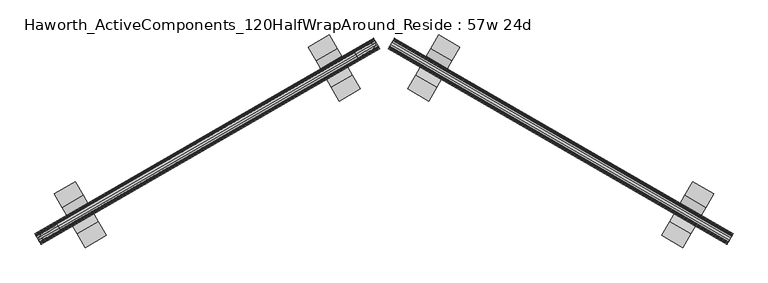
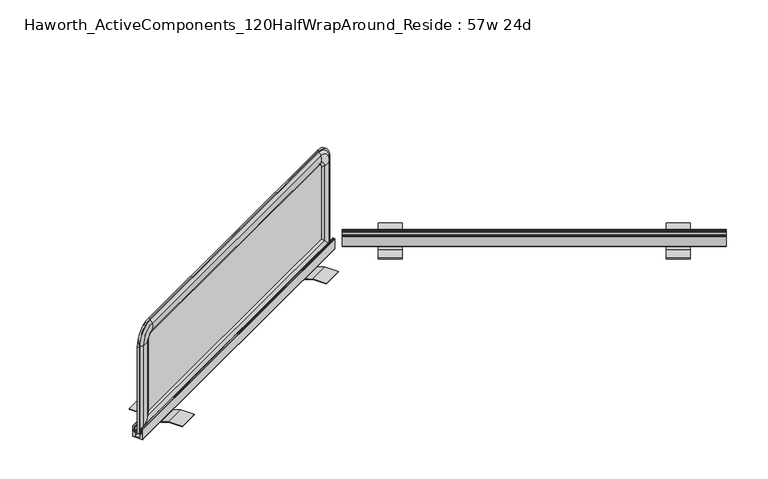
"""IFC4 building model written with IfcOpenShell, lengths in millimetres: furniture geometry, Haworth_ActiveComponents_120HalfWrapAround_Reside : 57w 24d."""

from ifc_helpers import new_model, si_unit, point, frame, frame_2d, origin, place, context, project, spatial, polyline, circle_curve, ellipse_curve, trimmed, segment, composite_curve, outline, extrude, source, transform, mapped, element, save
from ifc_brep_helpers import plane_surface, cylinder_surface, revolved_surface, advanced_brep


def haworth_activecomponents_120halfwraparound_reside_57w_24d_01c2fc8c(model_context):
    return source(origin(), model_context, "Body", "SolidModel", [
        extrude(outline(polyline([(-2.6670126, -96.9403129), (-2.6670126, -47.9976971), (-12.6999758, -19.803699), (-12.6999758, 19.3432575), (-2.6670126, 47.9976971), (-2.6670126, 96.9403129), (-2.42e-05, 96.9403129), (-9.69e-05, 47.5373464), (-10.0329874, 19.3433052), (-10.0329874, -19.3433051), (-9.69e-05, -47.5373464), (-2.42e-05, -96.9403129), (-2.6670126, -96.9403129)])), frame((4566.4082153, -1273.04317, 711.2), z_axis=(0.8660254037844374, 0.5000000000000024, 0.0), x_axis=(0.0, 0.0, 1.0)), (0.0, 0.0, 1.0), 76.2),
        extrude(outline(polyline([(-2.6670126, -96.9403129), (-2.6670126, -47.9976971), (-12.6999758, -19.803699), (-12.6999758, 19.3432575), (-2.6670126, 47.9976971), (-2.6670126, 96.9403129), (-2.42e-05, 96.9403129), (-9.69e-05, 47.5373463), (-10.0329874, 19.3433052), (-10.0329874, -19.3433051), (-9.69e-05, -47.5373464), (-2.42e-05, -96.9403129), (-2.6670126, -96.9403129)])), frame((5358.3018446, -815.84317, 711.2), z_axis=(0.8660254037844374, 0.5000000000000024, 0.0), x_axis=(0.0, 0.0, 1.0)), (0.0, 0.0, 1.0), 76.2),
        extrude(outline(composite_curve([segment(polyline([(-6.0705839, 9.0043003), (-6.0705839, -9.0043003), (5.6133686, -9.0043003), (5.6133686, -5.0800003), (7.6200048, -5.0800003), (7.6200048, -10.2488997), (9.8551882, -10.2488997), (10.8711872, -11.4426996), (25.9334219, -11.4426996), (26.9494209, -10.2488997), (28.9051882, -10.2488997), (29.7960276, -11.2956369)]), True, "CONTINUOUS"), segment(trimmed(circle_curve(frame_2d((29.2834819, -11.7318457)), 0.6730388), [point((29.7960276, -11.2956369))], [point((29.3960712, -12.3954004))], False, "CARTESIAN"), True, "CONTINUOUS"), segment(polyline([(29.3960712, -12.3954004), (22.8854248, -13.5001003), (9.931419, -13.5001003), (9.931419, -16.6497003), (13.9191843, -16.6497003), (14.6812017, -17.3990004), (29.1039756, -17.3990004)]), True, "CONTINUOUS"), segment(trimmed(circle_curve(frame_2d((29.1039756, -18.1991003)), 0.8000999), [point((29.1039756, -17.3990004))], [point((29.1039756, -18.9992003))], False, "CARTESIAN"), True, "CONTINUOUS"), segment(polyline([(29.1039756, -18.9992003), (-9.0169872, -18.9992003)]), True, "CONTINUOUS"), segment(trimmed(circle_curve(frame_2d((-9.0169872, -17.9832001)), 1.0160002), [point((-9.0169872, -18.9992003))], [point((-10.0329874, -17.9832001))], False, "CARTESIAN"), True, "CONTINUOUS"), segment(polyline([(-10.0329874, -17.9832001), (-10.0329874, 17.9832001)]), True, "CONTINUOUS"), segment(trimmed(circle_curve(frame_2d((-9.0169872, 17.9832001)), 1.0160002), [point((-10.0329874, 17.9832001))], [point((-9.0169872, 18.9992003))], False, "CARTESIAN"), True, "CONTINUOUS"), segment(polyline([(-9.0169872, 18.9992003), (29.1039756, 18.9992003)]), True, "CONTINUOUS"), segment(trimmed(circle_curve(frame_2d((29.1039756, 18.1991004)), 0.8000999), [point((29.1039756, 18.9992003))], [point((29.1039756, 17.3990004))], False, "CARTESIAN"), True, "CONTINUOUS"), segment(polyline([(29.1039756, 17.3990004), (14.6812017, 17.3990004), (13.9191843, 16.6497003), (9.931419, 16.6497003), (9.931419, 13.5001003), (22.8854248, 13.5001003), (29.3960712, 12.3954004)]), True, "CONTINUOUS"), segment(trimmed(circle_curve(frame_2d((29.2834819, 11.7318457)), 0.6730388), [point((29.3960712, 12.3954004))], [point((29.7960276, 11.2956369))], False, "CARTESIAN"), True, "CONTINUOUS"), segment(polyline([(29.7960276, 11.2956369), (28.9051882, 10.2488998), (26.9494209, 10.2488998), (25.9334219, 11.4426995), (10.8711872, 11.4426995), (9.8551882, 10.2488998), (7.6200048, 10.2488998), (7.6200048, 5.0800003), (5.6133686, 5.0800003), (5.6133686, 9.0043003), (-6.0705839, 9.0043003)]), True, "CONTINUOUS")], self_intersect=False)), frame((4467.4215117, -1330.19317, 711.2), z_axis=(0.8660254037844374, 0.5000000000000024, 0.0), x_axis=(0.0, 0.0, 1.0)), (0.0, 0.0, 1.0), 1219.2),
        advanced_brep(
        [(5521.4114726, -725.3379566, 1050.2564604), (5521.4114726, -725.3379566, 715.4852418), (5518.2364726, -719.8386953, 715.4852418), (5518.2364726, -719.8386953, 1050.2564604), (5511.2867751, -738.8577789, 1050.2564604), (5511.2867751, -738.8577789, 731.0133982), (5516.3251541, -728.2745439, 721.3584165), (5516.3251541, -728.2745439, 1050.2564604), (5485.9215168, -752.8864585, 1050.2564604), (5485.9215168, -752.8864585, 759.994696), (5474.3839729, -752.4892962, 1050.2564604), (5474.3839729, -752.4892962, 769.787921), (5471.2089729, -746.9900348, 1050.2564604), (5471.2089729, -746.9900348, 769.787921), (5476.6337922, -736.7996476, 1050.2564604), (5476.6337922, -736.7996476, 759.994696), (5501.4656143, -721.8470293, 1050.2564604), (5501.4656143, -721.8470293, 731.0133982), (5513.1501541, -722.7752826, 1050.2564604), (5513.1501541, -722.7752826, 721.3584165), (4472.4647251, -1330.9476436, 715.4852418), (4469.2897251, -1325.4483823, 715.4852418), (4489.2355834, -1328.9393096, 731.0133982), (4477.5510435, -1328.0110563, 721.3584165), (4514.0674054, -1313.9866913, 759.994696), (4519.4922247, -1303.7963041, 769.787921), (4516.3172247, -1298.2970427, 769.787921), (4504.7796809, -1297.8998804, 759.994696), (4479.4144225, -1311.92856, 731.0133982), (4474.3760435, -1322.511795, 721.3584165), (4472.4647251, -1330.9476436, 1050.2564604), (4469.2897251, -1325.4483823, 1050.2564604), (4489.2355834, -1328.9393096, 1050.2564604), (4477.5510435, -1328.0110563, 1050.2564604), (4514.0674054, -1313.9866913, 1050.2564604), (4519.4922247, -1303.7963041, 1050.2564604), (4516.3172247, -1298.2970427, 1050.2564604), (4504.7796809, -1297.8998804, 1050.2564604), (4479.4144225, -1311.92856, 1050.2564604), (4474.3760435, -1322.511795, 1050.2564604), (4533.240378, -1295.8588041, 1120.4341395), (4530.065378, -1290.3595427, 1120.4341395), (4536.5634584, -1301.6145482, 1104.9059832), (4533.240378, -1295.8588041, 1114.5609648), (4536.2967402, -1301.1525788, 1075.9246853), (4533.240378, -1295.8588041, 1066.1314604), (4530.065378, -1290.3595427, 1066.1314604), (4527.0090157, -1285.065768, 1075.9246853), (4526.7422975, -1284.6037986, 1104.9059832), (4530.065378, -1290.3595427, 1114.5609648), (5460.6358197, -760.4267962, 1120.4341395), (5457.4608197, -754.9275348, 1120.4341395), (5463.9589001, -766.1825403, 1104.9059832), (5460.6358197, -760.4267962, 1114.5609648), (5463.6921819, -765.7205709, 1075.9246853), (5460.6358197, -760.4267962, 1066.1314604), (5457.4608197, -754.9275348, 1066.1314604), (5454.4044574, -749.6337601, 1075.9246853), (5454.1377392, -749.1717907, 1104.9059832), (5457.4608197, -754.9275348, 1114.5609648)],
        [
            (0, 1),
            (1, 2),
            (2, 3),
            (3, 0),
            (4, 5),
            (5, 6, ellipse_curve(frame((5499.4385468, -726.7262399, 735.2084954), z_axis=(0.6123724356957916, 0.3535533905932743, 0.7071067811865497), x_axis=(-0.6123724356957952, -0.3535533905932764, 0.7071067811865455)), 23.9814408, 16.9574394)),
            (6, 7),
            (7, 4, circle_curve(frame((5499.4385468, -726.7262399, 1050.2564604), z_axis=(0.0, 0.0, -1.0), x_axis=(0.5000000000000024, -0.8660254037844374, 0.0)), 16.9574394)),
            (8, 9),
            (9, 5, ellipse_curve(frame((5473.0997806, -699.7576706, 744.5342514), z_axis=(0.6123724356957916, 0.3535533905932743, 0.7071067811865497), x_axis=(-0.6123724356957952, -0.3535533905932764, 0.7071067811865455)), 77.2924967, 54.6540486)),
            (4, 8, circle_curve(frame((5473.0997806, -699.7576706, 1050.2564604), z_axis=(0.0, 0.0, -1.0), x_axis=(0.5000000000000024, -0.8660254037844374, 0.0)), 54.6540486)),
            (10, 11),
            (11, 9, ellipse_curve(frame((5480.8668944, -731.941872, 753.8998342), z_axis=(0.6123724356957916, 0.3535533905932743, 0.7071067811865497), x_axis=(-0.6123724356957952, -0.3535533905932764, 0.7071067811865455)), 30.4704745, 21.5458792)),
            (8, 10, circle_curve(frame((5480.8668944, -731.941872, 1050.2564604), z_axis=(0.0, 0.0, -1.0), x_axis=(0.5000000000000024, -0.8660254037844374, 0.0)), 21.5458792)),
            (12, 13),
            (13, 11),
            (10, 12),
            (14, 15),
            (15, 13, ellipse_curve(frame((5492.2450249, -751.6493723, 753.8998342), z_axis=(0.6123724356957916, 0.3535533905932743, 0.7071067811865497), x_axis=(-0.6123724356957952, -0.3535533905932764, 0.7071067811865455)), 30.4704745, 21.5458792)),
            (12, 14, circle_curve(frame((5492.2450249, -751.6493723, 1050.2564604), z_axis=(0.0, 0.0, -1.0), x_axis=(0.5000000000000024, -0.8660254037844374, 0.0)), 21.5458792)),
            (16, 17),
            (17, 15, ellipse_curve(frame((5516.2338041, -774.4679908, 744.5342514), z_axis=(0.6123724356957916, 0.3535533905932743, 0.7071067811865497), x_axis=(-0.6123724356957952, -0.3535533905932764, 0.7071067811865455)), 77.2924967, 54.6540486)),
            (14, 16, circle_curve(frame((5516.2338041, -774.4679908, 1050.2564604), z_axis=(0.0, 0.0, -1.0), x_axis=(0.5000000000000024, -0.8660254037844374, 0.0)), 54.6540486)),
            (18, 19),
            (19, 17, ellipse_curve(frame((5506.047721, -738.1736655, 735.2084954), z_axis=(0.6123724356957916, 0.3535533905932743, 0.7071067811865497), x_axis=(-0.6123724356957952, -0.3535533905932764, 0.7071067811865455)), 23.9814408, 16.9574394)),
            (16, 18, circle_curve(frame((5506.047721, -738.1736655, 1050.2564604), z_axis=(0.0, 0.0, -1.0), x_axis=(0.5000000000000024, -0.8660254037844374, 0.0)), 16.9574394)),
            (1, 20),
            (20, 21),
            (21, 2),
            (5, 22),
            (22, 23, ellipse_curve(frame((4484.6534766, -1312.6126734, 735.2084954), z_axis=(0.6123724356957955, 0.35355339059327656, -0.7071067811865454), x_axis=(0.6123724356957915, 0.35355339059327423, 0.7071067811865498)), 23.9814408, 16.9574394)),
            (23, 6),
            (9, 24),
            (24, 22, ellipse_curve(frame((4474.4673935, -1276.318348, 744.5342514), z_axis=(0.6123724356957955, 0.35355339059327656, -0.7071067811865454), x_axis=(0.6123724356957915, 0.35355339059327423, 0.7071067811865498)), 77.2924967, 54.6540486)),
            (11, 25),
            (25, 24, ellipse_curve(frame((4498.4561727, -1299.1369666, 753.8998342), z_axis=(0.6123724356957955, 0.35355339059327656, -0.7071067811865454), x_axis=(0.6123724356957915, 0.35355339059327423, 0.7071067811865498)), 30.4704745, 21.5458792)),
            (13, 26),
            (26, 25),
            (15, 27),
            (27, 26, ellipse_curve(frame((4509.8343033, -1318.8444669, 753.8998342), z_axis=(0.6123724356957955, 0.35355339059327656, -0.7071067811865454), x_axis=(0.6123724356957915, 0.35355339059327423, 0.7071067811865498)), 30.4704745, 21.5458792)),
            (17, 28),
            (28, 27, ellipse_curve(frame((4517.601417, -1351.0286683, 744.5342514), z_axis=(0.6123724356957955, 0.35355339059327656, -0.7071067811865454), x_axis=(0.6123724356957915, 0.35355339059327423, 0.7071067811865498)), 77.2924967, 54.6540486)),
            (19, 29),
            (29, 28, ellipse_curve(frame((4491.2626509, -1324.060099, 735.2084954), z_axis=(0.6123724356957955, 0.35355339059327656, -0.7071067811865454), x_axis=(0.6123724356957915, 0.35355339059327423, 0.7071067811865498)), 23.9814408, 16.9574394)),
            (20, 30),
            (30, 31),
            (31, 21),
            (22, 32),
            (32, 33, circle_curve(frame((4484.6534766, -1312.6126734, 1050.2564604), z_axis=(0.0, 0.0, -1.0), x_axis=(0.5000000000000024, -0.8660254037844374, 0.0)), 16.9574394)),
            (33, 23),
            (24, 34),
            (34, 32, circle_curve(frame((4474.4673935, -1276.318348, 1050.2564604), z_axis=(0.0, 0.0, -1.0), x_axis=(0.5000000000000024, -0.8660254037844374, 0.0)), 54.6540486)),
            (25, 35),
            (35, 34, circle_curve(frame((4498.4561727, -1299.1369666, 1050.2564604), z_axis=(0.0, 0.0, -1.0), x_axis=(0.5000000000000024, -0.8660254037844374, 0.0)), 21.5458792)),
            (26, 36),
            (36, 35),
            (27, 37),
            (37, 36, circle_curve(frame((4509.8343033, -1318.8444669, 1050.2564604), z_axis=(0.0, 0.0, -1.0), x_axis=(0.5000000000000024, -0.8660254037844374, 0.0)), 21.5458792)),
            (28, 38),
            (38, 37, circle_curve(frame((4517.601417, -1351.0286683, 1050.2564604), z_axis=(0.0, 0.0, -1.0), x_axis=(0.5000000000000024, -0.8660254037844374, 0.0)), 54.6540486)),
            (29, 39),
            (39, 38, circle_curve(frame((4491.2626509, -1324.060099, 1050.2564604), z_axis=(0.0, 0.0, -1.0), x_axis=(0.5000000000000024, -0.8660254037844374, 0.0)), 16.9574394)),
            (40, 41),
            (41, 31, circle_curve(frame((4530.065378, -1290.3595427, 1050.2564604), z_axis=(0.5000000000000024, -0.8660254037844374, 0.0), x_axis=(-0.8660254037844374, -0.5000000000000024, 0.0)), 70.1776791)),
            (30, 40, circle_curve(frame((4533.240378, -1295.8588041, 1050.2564604), z_axis=(-0.5000000000000024, 0.8660254037844374, 0.0), x_axis=(-0.8660254037844374, -0.5000000000000024, 0.0)), 70.1776791)),
            (42, 43, circle_curve(frame((4528.3482908, -1287.3854606, 1100.7108859), z_axis=(-0.8660254037844374, -0.5000000000000024, 0.0), x_axis=(0.5000000000000024, -0.8660254037844374, 0.0)), 16.9574394)),
            (43, 33, circle_curve(frame((4533.240378, -1295.8588041, 1050.2564604), z_axis=(0.5000000000000024, -0.8660254037844374, 0.0), x_axis=(-0.8660254037844374, -0.5000000000000024, 0.0)), 64.3045045)),
            (32, 42, circle_curve(frame((4536.5634584, -1301.6145482, 1050.2564604), z_axis=(-0.5000000000000024, 0.8660254037844374, 0.0), x_axis=(-0.8660254037844374, -0.5000000000000024, 0.0)), 54.6495228)),
            (44, 42, circle_curve(frame((4510.0858662, -1255.7540133, 1091.38513), z_axis=(-0.8660254037844374, -0.5000000000000024, 0.0), x_axis=(0.5000000000000024, -0.8660254037844374, 0.0)), 54.6540486)),
            (34, 44, circle_curve(frame((4536.2967402, -1301.1525788, 1050.2564604), z_axis=(-0.5000000000000024, 0.8660254037844374, 0.0), x_axis=(-0.8660254037844374, -0.5000000000000024, 0.0)), 25.6682249)),
            (45, 44, circle_curve(frame((4525.9638127, -1283.2554233, 1082.0195471), z_axis=(-0.8660254037844374, -0.5000000000000024, 0.0), x_axis=(0.5000000000000024, -0.8660254037844374, 0.0)), 21.5458792)),
            (35, 45, circle_curve(frame((4533.240378, -1295.8588041, 1050.2564604), z_axis=(-0.5000000000000024, 0.8660254037844374, 0.0), x_axis=(-0.8660254037844374, -0.5000000000000024, 0.0)), 15.875)),
            (46, 45),
            (36, 46, circle_curve(frame((4530.065378, -1290.3595427, 1050.2564604), z_axis=(-0.5000000000000024, 0.8660254037844374, 0.0), x_axis=(-0.8660254037844374, -0.5000000000000024, 0.0)), 15.875)),
            (47, 46, circle_curve(frame((4537.3419433, -1302.9629235, 1082.0195471), z_axis=(-0.8660254037844374, -0.5000000000000024, 0.0), x_axis=(0.5000000000000024, -0.8660254037844374, 0.0)), 21.5458792)),
            (37, 47, circle_curve(frame((4527.0090157, -1285.065768, 1050.2564604), z_axis=(-0.5000000000000024, 0.8660254037844374, 0.0), x_axis=(-0.8660254037844374, -0.5000000000000024, 0.0)), 25.6682249)),
            (48, 47, circle_curve(frame((4553.2198897, -1330.4643335, 1091.38513), z_axis=(-0.8660254037844374, -0.5000000000000024, 0.0), x_axis=(0.5000000000000024, -0.8660254037844374, 0.0)), 54.6540486)),
            (38, 48, circle_curve(frame((4526.7422975, -1284.6037986, 1050.2564604), z_axis=(-0.5000000000000024, 0.8660254037844374, 0.0), x_axis=(-0.8660254037844374, -0.5000000000000024, 0.0)), 54.6495228)),
            (49, 48, circle_curve(frame((4534.9574651, -1298.8328862, 1100.7108859), z_axis=(-0.8660254037844374, -0.5000000000000024, 0.0), x_axis=(0.5000000000000024, -0.8660254037844374, 0.0)), 16.9574394)),
            (39, 49, circle_curve(frame((4530.065378, -1290.3595427, 1050.2564604), z_axis=(-0.5000000000000024, 0.8660254037844374, 0.0), x_axis=(-0.8660254037844374, -0.5000000000000024, 0.0)), 64.3045045)),
            (40, 50),
            (50, 51),
            (51, 41),
            (42, 52),
            (52, 53, circle_curve(frame((5455.7437325, -751.9534527, 1100.7108859), z_axis=(-0.8660254037844374, -0.5000000000000024, 0.0), x_axis=(0.5000000000000024, -0.8660254037844374, 0.0)), 16.9574394)),
            (53, 43),
            (44, 54),
            (54, 52, circle_curve(frame((5437.4813079, -720.3220053, 1091.38513), z_axis=(-0.8660254037844374, -0.5000000000000024, 0.0), x_axis=(0.5000000000000024, -0.8660254037844374, 0.0)), 54.6540486)),
            (45, 55),
            (55, 54, circle_curve(frame((5453.3592544, -747.8234154, 1082.0195471), z_axis=(-0.8660254037844374, -0.5000000000000024, 0.0), x_axis=(0.5000000000000024, -0.8660254037844374, 0.0)), 21.5458792)),
            (46, 56),
            (56, 55),
            (47, 57),
            (57, 56, circle_curve(frame((5464.737385, -767.5309156, 1082.0195471), z_axis=(-0.8660254037844374, -0.5000000000000024, 0.0), x_axis=(0.5000000000000024, -0.8660254037844374, 0.0)), 21.5458792)),
            (48, 58),
            (58, 57, circle_curve(frame((5480.6153314, -795.0323256, 1091.38513), z_axis=(-0.8660254037844374, -0.5000000000000024, 0.0), x_axis=(0.5000000000000024, -0.8660254037844374, 0.0)), 54.6540486)),
            (49, 59),
            (59, 58, circle_curve(frame((5462.3529068, -763.4008783, 1100.7108859), z_axis=(-0.8660254037844374, -0.5000000000000024, 0.0), x_axis=(0.5000000000000024, -0.8660254037844374, 0.0)), 16.9574394)),
            (3, 51, circle_curve(frame((5457.4608197, -754.9275348, 1050.2564604), z_axis=(0.5000000000000024, -0.8660254037844374, 0.0), x_axis=(0.0, 0.0, 1.0)), 70.1776791)),
            (50, 0, circle_curve(frame((5460.6358197, -760.4267962, 1050.2564604), z_axis=(-0.5000000000000024, 0.8660254037844374, 0.0), x_axis=(0.0, 0.0, 1.0)), 70.1776791)),
            (53, 7, circle_curve(frame((5460.6358197, -760.4267962, 1050.2564604), z_axis=(-0.5000000000000024, 0.8660254037844374, 0.0), x_axis=(0.0, 0.0, 1.0)), 64.3045045)),
            (52, 4, circle_curve(frame((5463.9589001, -766.1825403, 1050.2564604), z_axis=(-0.5000000000000024, 0.8660254037844374, 0.0), x_axis=(0.0, 0.0, 1.0)), 54.6495228)),
            (54, 8, circle_curve(frame((5463.6921819, -765.7205709, 1050.2564604), z_axis=(-0.5000000000000024, 0.8660254037844374, 0.0), x_axis=(0.0, 0.0, 1.0)), 25.6682249)),
            (55, 10, circle_curve(frame((5460.6358197, -760.4267962, 1050.2564604), z_axis=(-0.5000000000000024, 0.8660254037844374, 0.0), x_axis=(0.0, 0.0, 1.0)), 15.875)),
            (56, 12, circle_curve(frame((5457.4608197, -754.9275348, 1050.2564604), z_axis=(-0.5000000000000024, 0.8660254037844374, 0.0), x_axis=(0.0, 0.0, 1.0)), 15.875)),
            (57, 14, circle_curve(frame((5454.4044574, -749.6337601, 1050.2564604), z_axis=(-0.5000000000000024, 0.8660254037844374, 0.0), x_axis=(0.0, 0.0, 1.0)), 25.6682249)),
            (58, 16, circle_curve(frame((5454.1377392, -749.1717907, 1050.2564604), z_axis=(-0.5000000000000024, 0.8660254037844374, 0.0), x_axis=(0.0, 0.0, 1.0)), 54.6495228)),
            (59, 18, circle_curve(frame((5457.4608197, -754.9275348, 1050.2564604), z_axis=(-0.5000000000000024, 0.8660254037844374, 0.0), x_axis=(0.0, 0.0, 1.0)), 64.3045045)),
        ],
        [
            plane_surface(frame((5518.2364726, -719.8386953, 1050.2564604), z_axis=(0.8660254037844374, 0.5000000000000024, 0.0), x_axis=(0.0, 0.0, -1.0))),
            cylinder_surface(frame((5499.4385468, -726.7262399, 1050.2564604), z_axis=(0.0, 0.0, 1.0), x_axis=(0.5000000000000024, -0.8660254037844374, 0.0)), 16.9574394),
            cylinder_surface(frame((5473.0997806, -699.7576706, 1050.2564604), z_axis=(0.0, 0.0, 1.0), x_axis=(0.5000000000000024, -0.8660254037844374, 0.0)), 54.6540486),
            cylinder_surface(frame((5480.8668944, -731.941872, 1050.2564604), z_axis=(0.0, 0.0, 1.0), x_axis=(0.5000000000000024, -0.8660254037844374, 0.0)), 21.5458792),
            plane_surface(frame((5474.3839729, -752.4892962, 1050.2564604), z_axis=(-0.8660254037844374, -0.5000000000000024, 0.0), x_axis=(0.0, 0.0, -1.0))),
            cylinder_surface(frame((5492.2450249, -751.6493723, 1050.2564604), z_axis=(0.0, 0.0, 1.0), x_axis=(0.5000000000000024, -0.8660254037844374, 0.0)), 21.5458792),
            cylinder_surface(frame((5516.2338041, -774.4679908, 1050.2564604), z_axis=(0.0, 0.0, 1.0), x_axis=(0.5000000000000024, -0.8660254037844374, 0.0)), 54.6540486),
            cylinder_surface(frame((5506.047721, -738.1736655, 1050.2564604), z_axis=(0.0, 0.0, 1.0), x_axis=(0.5000000000000024, -0.8660254037844374, 0.0)), 16.9574394),
            plane_surface(frame((5518.2364726, -719.8386953, 715.4852418), z_axis=(0.0, 0.0, -1.0000000000000002), x_axis=(-0.8660254037844374, -0.5000000000000024, 0.0))),
            cylinder_surface(frame((5469.4918858, -744.0159527, 735.2084954), z_axis=(0.8660254037844374, 0.5000000000000024, 0.0), x_axis=(0.5000000000000024, -0.8660254037844374, 0.0)), 16.9574394),
            cylinder_surface(frame((5451.2294612, -712.3845053, 744.5342514), z_axis=(0.8660254037844374, 0.5000000000000024, 0.0), x_axis=(0.5000000000000024, -0.8660254037844374, 0.0)), 54.6540486),
            cylinder_surface(frame((5467.1074076, -739.8859154, 753.8998342), z_axis=(0.8660254037844374, 0.5000000000000024, 0.0), x_axis=(0.5000000000000024, -0.8660254037844374, 0.0)), 21.5458792),
            plane_surface(frame((5474.3839729, -752.4892962, 769.787921), z_axis=(0.0, 0.0, 1.0000000000000002), x_axis=(-0.8660254037844374, -0.5000000000000024, 0.0))),
            cylinder_surface(frame((5478.4855382, -759.5934156, 753.8998342), z_axis=(0.8660254037844374, 0.5000000000000024, 0.0), x_axis=(0.5000000000000024, -0.8660254037844374, 0.0)), 21.5458792),
            cylinder_surface(frame((5494.3634847, -787.0948256, 744.5342514), z_axis=(0.8660254037844374, 0.5000000000000024, 0.0), x_axis=(0.5000000000000024, -0.8660254037844374, 0.0)), 54.6540486),
            cylinder_surface(frame((5476.1010601, -755.4633783, 735.2084954), z_axis=(0.8660254037844374, 0.5000000000000024, 0.0), x_axis=(0.5000000000000024, -0.8660254037844374, 0.0)), 16.9574394),
            plane_surface(frame((4469.2897251, -1325.4483823, 715.4852418), z_axis=(-0.8660254037844374, -0.5000000000000024, 0.0), x_axis=(0.0, 0.0, 1.0))),
            cylinder_surface(frame((4484.6534766, -1312.6126734, 769.787921), z_axis=(0.0, 0.0, -1.0), x_axis=(0.5000000000000024, -0.8660254037844374, 0.0)), 16.9574394),
            cylinder_surface(frame((4474.4673935, -1276.318348, 769.787921), z_axis=(0.0, 0.0, -1.0), x_axis=(0.5000000000000024, -0.8660254037844374, 0.0)), 54.6540486),
            cylinder_surface(frame((4498.4561727, -1299.1369666, 769.787921), z_axis=(0.0, 0.0, -1.0), x_axis=(0.5000000000000024, -0.8660254037844374, 0.0)), 21.5458792),
            plane_surface(frame((4519.4922247, -1303.7963041, 769.787921), z_axis=(0.8660254037844374, 0.5000000000000024, 0.0), x_axis=(0.0, 0.0, 1.0))),
            cylinder_surface(frame((4509.8343033, -1318.8444669, 769.787921), z_axis=(0.0, 0.0, -1.0), x_axis=(0.5000000000000024, -0.8660254037844374, 0.0)), 21.5458792),
            cylinder_surface(frame((4517.601417, -1351.0286683, 769.787921), z_axis=(0.0, 0.0, -1.0), x_axis=(0.5000000000000024, -0.8660254037844374, 0.0)), 54.6540486),
            cylinder_surface(frame((4491.2626509, -1324.060099, 769.787921), z_axis=(0.0, 0.0, -1.0), x_axis=(0.5000000000000024, -0.8660254037844374, 0.0)), 16.9574394),
            cylinder_surface(frame((4533.240378, -1295.8588041, 1050.2564604), z_axis=(0.5000000000000024, -0.8660254037844374, 0.0), x_axis=(-0.8660254037844374, -0.5000000000000024, 0.0)), 70.1776791),
            revolved_surface(trimmed(ellipse_curve(frame((4484.6534766, -1312.6126734, 1050.2564604), z_axis=(0.0, 0.0, 1.0), x_axis=(0.5000000000000024, -0.8660254037844374, 0.0)), 16.9574394, 16.9574394), [point((4477.5510435, -1328.0110563, 1050.2564604))], [point((4489.2355834, -1328.9393096, 1050.2564604))], True, "CARTESIAN"), (4533.240378, -1295.8588041, 1050.2564604), (0.5000000000000024, -0.8660254037844374, 0.0)),
            revolved_surface(trimmed(ellipse_curve(frame((4474.4673935, -1276.318348, 1050.2564604), z_axis=(0.0, 0.0, 1.0), x_axis=(0.5000000000000024, -0.8660254037844374, 0.0)), 54.6540486, 54.6540486), [point((4489.2355834, -1328.9393096, 1050.2564604))], [point((4514.0674054, -1313.9866913, 1050.2564604))], True, "CARTESIAN"), (4533.240378, -1295.8588041, 1050.2564604), (0.5000000000000024, -0.8660254037844374, 0.0)),
            revolved_surface(trimmed(ellipse_curve(frame((4498.4561727, -1299.1369666, 1050.2564604), z_axis=(0.0, 0.0, 1.0), x_axis=(0.5000000000000024, -0.8660254037844374, 0.0)), 21.5458792, 21.5458792), [point((4514.0674054, -1313.9866913, 1050.2564604))], [point((4519.4922247, -1303.7963041, 1050.2564604))], True, "CARTESIAN"), (4533.240378, -1295.8588041, 1050.2564604), (0.5000000000000024, -0.8660254037844374, 0.0)),
            revolved_surface(polyline([(4519.4922247149225, -1303.7963041, 1050.2564604), (4516.317224673966, -1298.2970427150308, 1050.2564604)]), (4533.240378, -1295.8588041, 1050.2564604), (0.5000000000000024, -0.8660254037844374, 0.0)),
            revolved_surface(trimmed(ellipse_curve(frame((4509.8343033, -1318.8444669, 1050.2564604), z_axis=(0.0, 0.0, 1.0), x_axis=(0.5000000000000024, -0.8660254037844374, 0.0)), 21.5458792, 21.5458792), [point((4516.3172247, -1298.2970427, 1050.2564604))], [point((4504.7796809, -1297.8998804, 1050.2564604))], True, "CARTESIAN"), (4533.240378, -1295.8588041, 1050.2564604), (0.5000000000000024, -0.8660254037844374, 0.0)),
            revolved_surface(trimmed(ellipse_curve(frame((4517.601417, -1351.0286683, 1050.2564604), z_axis=(0.0, 0.0, 1.0), x_axis=(0.5000000000000024, -0.8660254037844374, 0.0)), 54.6540486, 54.6540486), [point((4504.7796809, -1297.8998804, 1050.2564604))], [point((4479.4144225, -1311.92856, 1050.2564604))], True, "CARTESIAN"), (4533.240378, -1295.8588041, 1050.2564604), (0.5000000000000024, -0.8660254037844374, 0.0)),
            revolved_surface(trimmed(ellipse_curve(frame((4491.2626509, -1324.060099, 1050.2564604), z_axis=(0.0, 0.0, 1.0), x_axis=(0.5000000000000024, -0.8660254037844374, 0.0)), 16.9574394, 16.9574394), [point((4479.4144225, -1311.92856, 1050.2564604))], [point((4474.3760435, -1322.511795, 1050.2564604))], True, "CARTESIAN"), (4533.240378, -1295.8588041, 1050.2564604), (0.5000000000000024, -0.8660254037844374, 0.0)),
            plane_surface(frame((4530.065378, -1290.3595427, 1120.4341395), z_axis=(0.0, 0.0, 1.0000000000000002), x_axis=(0.8660254037844374, 0.5000000000000024, 0.0))),
            cylinder_surface(frame((4528.3482908, -1287.3854606, 1100.7108859), z_axis=(-0.8660254037844374, -0.5000000000000024, 0.0), x_axis=(0.5000000000000024, -0.8660254037844374, 0.0)), 16.9574394),
            cylinder_surface(frame((4510.0858662, -1255.7540133, 1091.38513), z_axis=(-0.8660254037844374, -0.5000000000000024, 0.0), x_axis=(0.5000000000000024, -0.8660254037844374, 0.0)), 54.6540486),
            cylinder_surface(frame((4525.9638127, -1283.2554233, 1082.0195471), z_axis=(-0.8660254037844374, -0.5000000000000024, 0.0), x_axis=(0.5000000000000024, -0.8660254037844374, 0.0)), 21.5458792),
            plane_surface(frame((4533.240378, -1295.8588041, 1066.1314604), z_axis=(0.0, 0.0, -1.0000000000000002), x_axis=(0.8660254037844374, 0.5000000000000024, 0.0))),
            cylinder_surface(frame((4537.3419433, -1302.9629235, 1082.0195471), z_axis=(-0.8660254037844374, -0.5000000000000024, 0.0), x_axis=(0.5000000000000024, -0.8660254037844374, 0.0)), 21.5458792),
            cylinder_surface(frame((4553.2198897, -1330.4643335, 1091.38513), z_axis=(-0.8660254037844374, -0.5000000000000024, 0.0), x_axis=(0.5000000000000024, -0.8660254037844374, 0.0)), 54.6540486),
            cylinder_surface(frame((4534.9574651, -1298.8328862, 1100.7108859), z_axis=(-0.8660254037844374, -0.5000000000000024, 0.0), x_axis=(0.5000000000000024, -0.8660254037844374, 0.0)), 16.9574394),
            cylinder_surface(frame((5460.6358197, -760.4267962, 1050.2564604), z_axis=(0.5000000000000024, -0.8660254037844374, 0.0), x_axis=(0.0, 0.0, 1.0)), 70.1776791),
            plane_surface(frame((5460.6358197, -760.4267962, 1050.2564604), z_axis=(0.5000000000000024, -0.8660254037844374, 0.0), x_axis=(0.0, 0.0, 1.0))),
            revolved_surface(trimmed(ellipse_curve(frame((5455.7437325, -751.9534527, 1100.7108859), z_axis=(0.8660254037844374, 0.5000000000000024, 0.0), x_axis=(0.5000000000000024, -0.8660254037844374, 0.0)), 16.9574394, 16.9574394), [point((5460.6358197, -760.4267962, 1114.5609648))], [point((5463.9589001, -766.1825403, 1104.9059832))], True, "CARTESIAN"), (5460.6358197, -760.4267962, 1050.2564604), (0.5000000000000024, -0.8660254037844374, 0.0)),
            revolved_surface(trimmed(ellipse_curve(frame((5437.4813079, -720.3220053, 1091.38513), z_axis=(0.8660254037844374, 0.5000000000000024, 0.0), x_axis=(0.5000000000000024, -0.8660254037844374, 0.0)), 54.6540486, 54.6540486), [point((5463.9589001, -766.1825403, 1104.9059832))], [point((5463.6921819, -765.7205709, 1075.9246853))], True, "CARTESIAN"), (5460.6358197, -760.4267962, 1050.2564604), (0.5000000000000024, -0.8660254037844374, 0.0)),
            revolved_surface(trimmed(ellipse_curve(frame((5453.3592544, -747.8234154, 1082.0195471), z_axis=(0.8660254037844374, 0.5000000000000024, 0.0), x_axis=(0.5000000000000024, -0.8660254037844374, 0.0)), 21.5458792, 21.5458792), [point((5463.6921819, -765.7205709, 1075.9246853))], [point((5460.6358197, -760.4267962, 1066.1314604))], True, "CARTESIAN"), (5460.6358197, -760.4267962, 1050.2564604), (0.5000000000000024, -0.8660254037844374, 0.0)),
            revolved_surface(polyline([(5460.6358197, -760.4267962, 1066.1314604), (5457.460819641505, -754.9275347846524, 1066.1314604)]), (5460.6358197, -760.4267962, 1050.2564604), (0.5000000000000024, -0.8660254037844374, 0.0)),
            revolved_surface(trimmed(ellipse_curve(frame((5464.737385, -767.5309156, 1082.0195471), z_axis=(0.8660254037844374, 0.5000000000000024, 0.0), x_axis=(0.5000000000000024, -0.8660254037844374, 0.0)), 21.5458792, 21.5458792), [point((5457.4608197, -754.9275348, 1066.1314604))], [point((5454.4044574, -749.6337601, 1075.9246853))], True, "CARTESIAN"), (5460.6358197, -760.4267962, 1050.2564604), (0.5000000000000024, -0.8660254037844374, 0.0)),
            revolved_surface(trimmed(ellipse_curve(frame((5480.6153314, -795.0323256, 1091.38513), z_axis=(0.8660254037844374, 0.5000000000000024, 0.0), x_axis=(0.5000000000000024, -0.8660254037844374, 0.0)), 54.6540486, 54.6540486), [point((5454.4044574, -749.6337601, 1075.9246853))], [point((5454.1377392, -749.1717907, 1104.9059832))], True, "CARTESIAN"), (5460.6358197, -760.4267962, 1050.2564604), (0.5000000000000024, -0.8660254037844374, 0.0)),
            revolved_surface(trimmed(ellipse_curve(frame((5462.3529068, -763.4008783, 1100.7108859), z_axis=(0.8660254037844374, 0.5000000000000024, 0.0), x_axis=(0.5000000000000024, -0.8660254037844374, 0.0)), 16.9574394, 16.9574394), [point((5454.1377392, -749.1717907, 1104.9059832))], [point((5457.4608197, -754.9275348, 1114.5609648))], True, "CARTESIAN"), (5460.6358197, -760.4267962, 1050.2564604), (0.5000000000000024, -0.8660254037844374, 0.0)),
            plane_surface(frame((5457.4608197, -754.9275348, 1050.2564604), z_axis=(-0.5000000000000024, 0.8660254037844374, 0.0), x_axis=(0.0, 0.0, 1.0))),
        ],
        [
            (0, [[1, 2, 3, 4]]),
            (1, [[5, 6, 7, 8]]),
            (2, [[9, 10, -5, 11]]),
            (3, [[12, 13, -9, 14]]),
            (4, [[15, 16, -12, 17]]),
            (5, [[18, 19, -15, 20]]),
            (6, [[21, 22, -18, 23]]),
            (7, [[24, 25, -21, 26]]),
            (8, [[27, 28, 29, -2]]),
            (9, [[30, 31, 32, -6]]),
            (10, [[33, 34, -30, -10]]),
            (11, [[35, 36, -33, -13]]),
            (12, [[37, 38, -35, -16]]),
            (13, [[39, 40, -37, -19]]),
            (14, [[41, 42, -39, -22]]),
            (15, [[43, 44, -41, -25]]),
            (16, [[45, 46, 47, -28]]),
            (17, [[48, 49, 50, -31]]),
            (18, [[51, 52, -48, -34]]),
            (19, [[53, 54, -51, -36]]),
            (20, [[55, 56, -53, -38]]),
            (21, [[57, 58, -55, -40]]),
            (22, [[59, 60, -57, -42]]),
            (23, [[61, 62, -59, -44]]),
            (24, [[63, 64, -46, 65]]),
            (25, [[66, 67, -49, 68]]),
            (26, [[69, -68, -52, 70]]),
            (27, [[71, -70, -54, 72]]),
            (28, [[73, -72, -56, 74]]),
            (29, [[75, -74, -58, 76]]),
            (30, [[77, -76, -60, 78]]),
            (31, [[79, -78, -62, 80]]),
            (32, [[81, 82, 83, -63]]),
            (33, [[84, 85, 86, -66]]),
            (34, [[87, 88, -84, -69]]),
            (35, [[89, 90, -87, -71]]),
            (36, [[91, 92, -89, -73]]),
            (37, [[93, 94, -91, -75]]),
            (38, [[95, 96, -93, -77]]),
            (39, [[97, 98, -95, -79]]),
            (40, [[-4, 99, -82, 100]]),
            (41, [[-45, -27, -1, -100, -81, -65], [-7, -32, -50, -67, -86, 101]]),
            (42, [[-8, -101, -85, 102]]),
            (43, [[-11, -102, -88, 103]]),
            (44, [[-14, -103, -90, 104]]),
            (45, [[-17, -104, -92, 105]]),
            (46, [[-20, -105, -94, 106]]),
            (47, [[-23, -106, -96, 107]]),
            (48, [[-26, -107, -98, 108]]),
            (49, [[-3, -29, -47, -64, -83, -99], [-61, -43, -24, -108, -97, -80]]),
        ],
    ),
        extrude(outline(composite_curve([segment(polyline([(58.587921, -551.3070067), (58.587921, 551.307009), (339.0564604, 551.307009)]), True, "CONTINUOUS"), segment(trimmed(circle_curve(frame_2d((339.0564604, 535.4320091)), 15.875), [point((339.0564604, 551.307009))], [point((354.9314604, 535.4320091))], False, "CARTESIAN"), True, "CONTINUOUS"), segment(polyline([(354.9314604, 535.4320091), (354.9314604, -535.4320067)]), True, "CONTINUOUS"), segment(trimmed(circle_curve(frame_2d((339.0564604, -535.4320067)), 15.875), [point((354.9314604, -535.4320067))], [point((339.0564604, -551.3070067))], False, "CARTESIAN"), True, "CONTINUOUS"), segment(polyline([(339.0564604, -551.3070067), (58.587921, -551.3070067)]), True, "CONTINUOUS")], self_intersect=False)), frame((4996.9380978, -1028.1428007, 711.2), z_axis=(-0.5000000000000024, 0.8660254037844374, 0.0), x_axis=(0.0, 0.0, 1.0)), (0.0, 0.0, 1.0), 6.35),
        extrude(outline(polyline([(-2.6670126, 96.9403129), (-2.42e-05, 96.9403129), (-9.69e-05, 47.5373464), (-10.0329874, 19.3433051), (-10.0329874, -19.3433052), (-9.69e-05, -47.5373464), (-2.42e-05, -96.9403129), (-2.6670126, -96.9403129), (-2.6670126, -47.9976971), (-12.6999758, -19.3432575), (-12.6999758, 19.803699), (-2.6670126, 47.9976971), (-2.6670126, 96.9403129)])), frame((6526.1886526, -1273.04317, 711.2), z_axis=(-0.8660254037844374, 0.5000000000000024, 0.0), x_axis=(0.0, 0.0, 1.0)), (0.0, 0.0, 1.0), 76.2),
        extrude(outline(polyline([(-2.6670126, 96.9403129), (-2.42e-05, 96.9403129), (-9.69e-05, 47.5373464), (-10.0329874, 19.3433051), (-10.0329874, -19.3433052), (-9.69e-05, -47.5373464), (-2.42e-05, -96.9403129), (-2.6670126, -96.9403129), (-2.6670126, -47.9976971), (-12.6999758, -19.3432575), (-12.6999758, 19.803699), (-2.6670126, 47.9976971), (-2.6670126, 96.9403129)])), frame((5734.2950234, -815.84317, 711.2), z_axis=(-0.8660254037844374, 0.5000000000000024, 0.0), x_axis=(0.0, 0.0, 1.0)), (0.0, 0.0, 1.0), 76.2),
        extrude(outline(composite_curve([segment(polyline([(-6.0705839, -9.0043003), (5.6133686, -9.0043003), (5.6133686, -5.0800003), (7.6200048, -5.0800003), (7.6200048, -10.2488998), (9.8551882, -10.2488998), (10.8711872, -11.4426996), (25.9334219, -11.4426996), (26.9494209, -10.2488998), (28.9051882, -10.2488998), (29.7960276, -11.2956369)]), True, "CONTINUOUS"), segment(trimmed(circle_curve(frame_2d((29.2834819, -11.7318457)), 0.6730388), [point((29.7960276, -11.2956369))], [point((29.3960712, -12.3954004))], False, "CARTESIAN"), True, "CONTINUOUS"), segment(polyline([(29.3960712, -12.3954004), (22.8854248, -13.5001003), (9.931419, -13.5001003), (9.931419, -16.6497003), (13.9191843, -16.6497003), (14.6812017, -17.3990004), (29.1039756, -17.3990004)]), True, "CONTINUOUS"), segment(trimmed(circle_curve(frame_2d((29.1039756, -18.1991004)), 0.8000999), [point((29.1039756, -17.3990004))], [point((29.1039756, -18.9992003))], False, "CARTESIAN"), True, "CONTINUOUS"), segment(polyline([(29.1039756, -18.9992003), (-9.0169872, -18.9992003)]), True, "CONTINUOUS"), segment(trimmed(circle_curve(frame_2d((-9.0169872, -17.9832002)), 1.0160002), [point((-9.0169872, -18.9992003))], [point((-10.0329874, -17.9832002))], False, "CARTESIAN"), True, "CONTINUOUS"), segment(polyline([(-10.0329874, -17.9832002), (-10.0329874, 17.9832001)]), True, "CONTINUOUS"), segment(trimmed(circle_curve(frame_2d((-9.0169872, 17.9832001)), 1.0160002), [point((-10.0329874, 17.9832001))], [point((-9.0169872, 18.9992003))], False, "CARTESIAN"), True, "CONTINUOUS"), segment(polyline([(-9.0169872, 18.9992003), (29.1039756, 18.9992003)]), True, "CONTINUOUS"), segment(trimmed(circle_curve(frame_2d((29.1039756, 18.1991003)), 0.8000999), [point((29.1039756, 18.9992003))], [point((29.1039756, 17.3990004))], False, "CARTESIAN"), True, "CONTINUOUS"), segment(polyline([(29.1039756, 17.3990004), (14.6812017, 17.3990004), (13.9191843, 16.6497003), (9.931419, 16.6497003), (9.931419, 13.5001003), (22.8854248, 13.5001003), (29.3960712, 12.3954004)]), True, "CONTINUOUS"), segment(trimmed(circle_curve(frame_2d((29.2834819, 11.7318457)), 0.6730388), [point((29.3960712, 12.3954004))], [point((29.7960276, 11.2956369))], False, "CARTESIAN"), True, "CONTINUOUS"), segment(polyline([(29.7960276, 11.2956369), (28.9051882, 10.2488997), (26.9494209, 10.2488997), (25.9334219, 11.4426995), (10.8711872, 11.4426995), (9.8551882, 10.2488997), (7.6200048, 10.2488997), (7.6200048, 5.0800003), (5.6133686, 5.0800003), (5.6133686, 9.0043003), (-6.0705839, 9.0043003), (-6.0705839, -9.0043003)]), True, "CONTINUOUS")], self_intersect=False)), frame((6625.1753563, -1330.19317, 711.2), z_axis=(-0.8660254037844374, 0.5000000000000024, 0.0), x_axis=(0.0, 0.0, 1.0)), (0.0, 0.0, 1.0), 1219.2),
    ])


if __name__ == "__main__":
    model = new_model("IFC4")
    model_context = context("Model", 3, world=origin())
    ifc_project = project(units=[si_unit("LENGTHUNIT", "METRE", prefix="MILLI")], contexts=[model_context])
    site = spatial("IfcSite", under=ifc_project)
    building = spatial("IfcBuilding", under=site)
    placement = place(None, origin())
    haworth_activecomponents_120halfwraparound_reside_57w_24d_shape = haworth_activecomponents_120halfwraparound_reside_57w_24d_01c2fc8c(model_context)
    element("IfcFurniture", 1, ObjectType="Haworth_ActiveComponents_120HalfWrapAround_Reside : 57w 24d", at=placement, inside=building, context=model_context, shape_type="MappedRepresentation", body=[
        mapped(haworth_activecomponents_120halfwraparound_reside_57w_24d_shape, transform((0.0, 0.0, 0.0), x_axis=(1.0, 0.0, 0.0), y_axis=(0.0, 1.0, 0.0), z_axis=(0.0, 0.0, 1.0))),
    ])
    save(model, "model.ifc")
